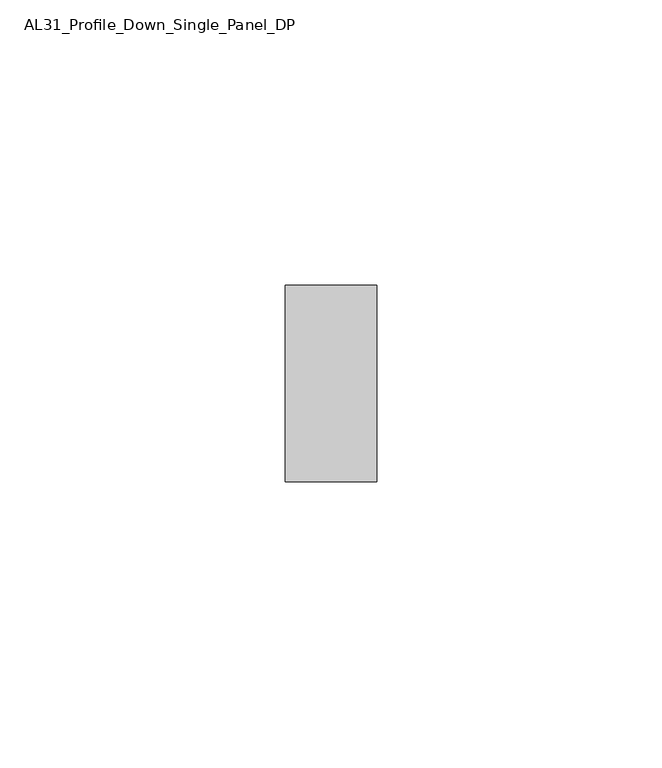
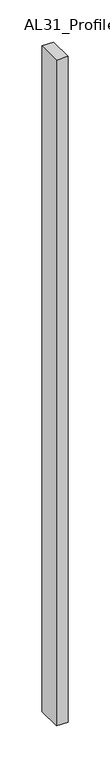
"""IFC4 building model written with IfcOpenShell, lengths in millimetres: member geometry, AL31_Profile_Down_Single_Panel_DP."""

from ifc_helpers import new_model, si_unit, frame, origin, place, context, project, spatial, polyline, outline, extrude, source, transform, mapped, element, save


def al31_profile_down_single_panel_dp_eff6656d(model_context):
    return source(origin(), model_context, "Body", "SweptSolid", [
        extrude(outline(polyline([(0.0, 37.107), (0.0, 2.607), (-16.0427074, 2.607), (-16.0427074, 37.107), (0.0, 37.107)])), frame((0.0, 0.0, -965.9810055), z_axis=(0.0, 0.0, 1.0), x_axis=(1.0, 0.0, 0.0)), (0.0, 0.0, 1.0), 965.9810055),
    ])


if __name__ == "__main__":
    model = new_model("IFC4")
    model_context = context("Model", 3, world=origin())
    ifc_project = project(units=[si_unit("LENGTHUNIT", "METRE", prefix="MILLI")], contexts=[model_context])
    site = spatial("IfcSite", under=ifc_project)
    building = spatial("IfcBuilding", under=site)
    placement = place(None, origin())
    al31_profile_down_single_panel_dp_shape = al31_profile_down_single_panel_dp_eff6656d(model_context)
    element("IfcMember", 1, ObjectType="AL31_Profile_Down_Single_Panel_DP", at=placement, inside=building, context=model_context, shape_type="MappedRepresentation", body=[
        mapped(al31_profile_down_single_panel_dp_shape, transform((0.0, 0.0, 0.0), x_axis=(1.0, 0.0, 0.0), y_axis=(0.0, 1.0, 0.0), z_axis=(0.0, 0.0, 1.0))),
    ])
    save(model, "model.ifc")
